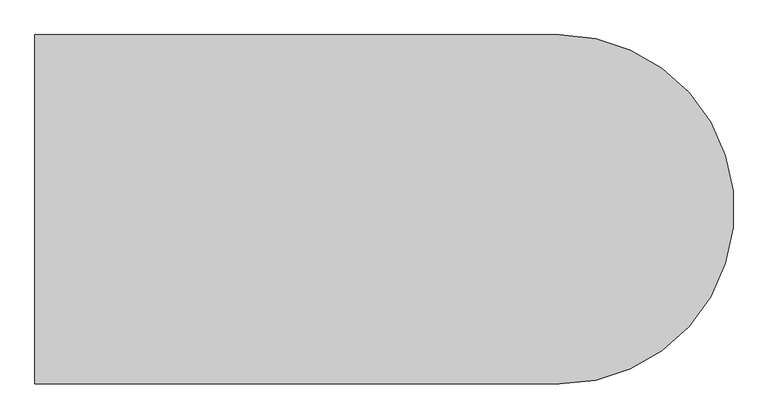
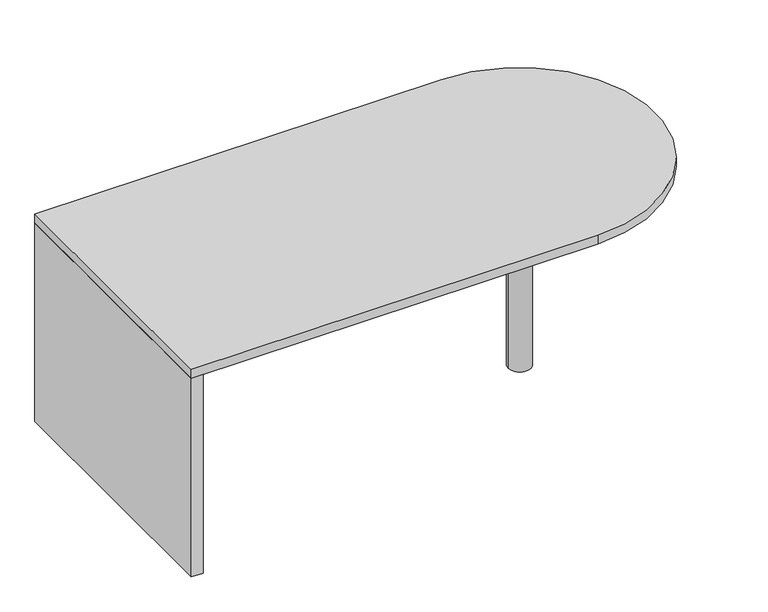
"""IFC4 building model written with IfcOpenShell, lengths in millimetres: furniture geometry."""

from ifc_helpers import new_model, si_unit, point, frame, frame_2d, origin, origin_with_axes, place, context, project, spatial, polyline, circle_curve, trimmed, segment, composite_curve, outline, extrude, source, transform, mapped, element, save


def furniture_8dec004a(model_context):
    return source(origin(), model_context, "Body", "SweptSolid", [
        extrude(outline(composite_curve([segment(trimmed(circle_curve(frame_2d((1195.3875, -711.2)), 38.1), [point((1157.2875, -711.2))], [point((1233.4875, -711.2))], False, "CARTESIAN"), True, "CONTINUOUS"), segment(trimmed(circle_curve(frame_2d((1195.3875, -711.2)), 38.1), [point((1233.4875, -711.2))], [point((1157.2875, -711.2))], False, "CARTESIAN"), True, "CONTINUOUS")], self_intersect=False)), origin_with_axes(), (0.0, 0.0, 1.0), 708.025),
        extrude(outline(polyline([(-176.2125, -1168.4), (-176.2125, -254.0), (-137.31875, -254.0), (-137.31875, -1168.4), (-176.2125, -1168.4)])), origin_with_axes(), (0.0, 0.0, 1.0), 708.025),
        extrude(outline(composite_curve([segment(polyline([(-176.2125, -254.0), (1195.3875, -254.0)]), True, "CONTINUOUS"), segment(trimmed(circle_curve(frame_2d((1195.3875, -711.2)), 457.2), [point((1195.3875, -254.0))], [point((1195.3875, -1168.4))], False, "CARTESIAN"), True, "CONTINUOUS"), segment(polyline([(1195.3875, -1168.4), (-176.2125, -1168.4), (-176.2125, -254.0)]), True, "CONTINUOUS")], self_intersect=False)), frame((0.0, 0.0, 708.025), z_axis=(0.0, 0.0, 1.0), x_axis=(1.0, 0.0, 0.0)), (0.0, 0.0, 1.0), 31.75),
    ])


if __name__ == "__main__":
    model = new_model("IFC4")
    model_context = context("Model", 3, world=origin())
    ifc_project = project(units=[si_unit("LENGTHUNIT", "METRE", prefix="MILLI")], contexts=[model_context])
    site = spatial("IfcSite", under=ifc_project)
    building = spatial("IfcBuilding", under=site)
    placement = place(None, origin())
    furniture_shape = furniture_8dec004a(model_context)
    element("IfcFurniture", 1, at=placement, inside=building, context=model_context, shape_type="MappedRepresentation", body=[
        mapped(furniture_shape, transform((0.0, 0.0, 0.0), x_axis=(1.0, 0.0, 0.0), y_axis=(0.0, 1.0, 0.0), z_axis=(0.0, 0.0, 1.0))),
    ])
    save(model, "model.ifc")
